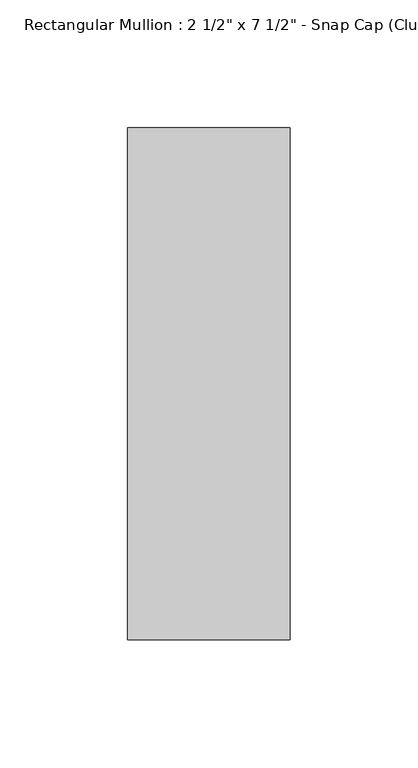
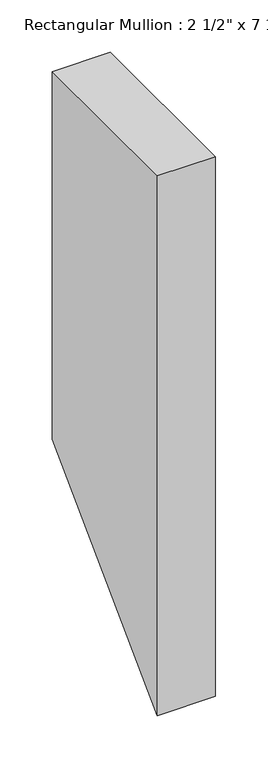
"""IFC4 building model written with IfcOpenShell, lengths in millimetres: member geometry."""

from ifc_helpers import new_model, si_unit, frame, origin, place, context, project, spatial, polyline, outline, extrude, source, transform, mapped, element, save


def member_cdd132fe(model_context):
    return source(origin(), model_context, "Body", "SweptSolid", [
        extrude(outline(polyline([(-174.2, 0.0), (25.8, 0.0), (25.8, -427.3663607), (-174.2, -627.3663607), (-174.2, 0.0)])), frame((-31.75, 0.0, 0.0), z_axis=(1.0, 0.0, 0.0), x_axis=(0.0, 1.0, 0.0)), (0.0, 0.0, 1.0), 63.5),
    ])


if __name__ == "__main__":
    model = new_model("IFC4")
    model_context = context("Model", 3, world=origin())
    ifc_project = project(units=[si_unit("LENGTHUNIT", "METRE", prefix="MILLI")], contexts=[model_context])
    site = spatial("IfcSite", under=ifc_project)
    building = spatial("IfcBuilding", under=site)
    placement = place(None, origin())
    member_shape = member_cdd132fe(model_context)
    element("IfcMember", 1, ObjectType="Rectangular Mullion : 2 1/2\" x 7 1/2\" - Snap Cap (Club)", at=placement, inside=building, context=model_context, shape_type="MappedRepresentation", body=[
        mapped(member_shape, transform((0.0, 0.0, 0.0), x_axis=(1.0, 0.0, 0.0), y_axis=(0.0, 1.0, 0.0), z_axis=(0.0, 0.0, 1.0))),
    ])
    save(model, "model.ifc")
